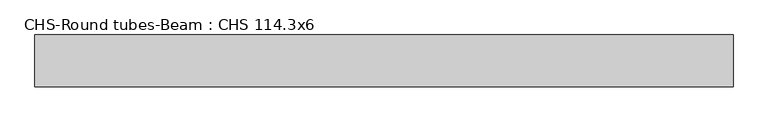
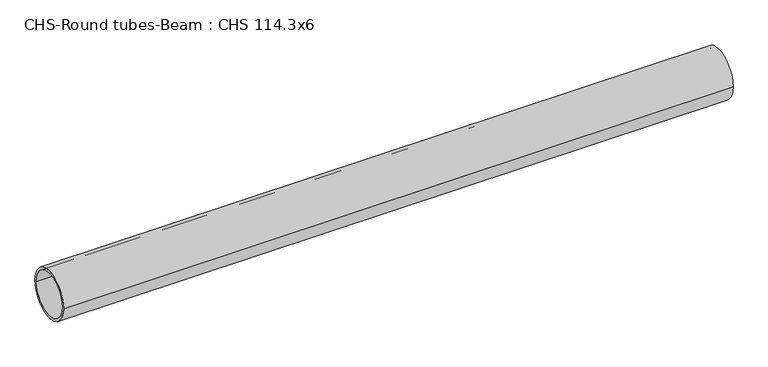
"""IFC4 building model written with IfcOpenShell, lengths in millimetres: beam geometry, CHS-Round tubes-Beam : CHS 114.3x6."""

from ifc_helpers import new_model, si_unit, point, frame, origin, origin_2d, place, context, project, spatial, circle_curve, trimmed, segment, composite_curve, outline, extrude, source, transform, mapped, element, save


def chs_round_tubes_beam_chs_114_3x6_476d0633(model_context):
    return source(origin(), model_context, "Body", "SweptSolid", [
        extrude(outline(composite_curve([segment(trimmed(circle_curve(origin_2d(), 57.15), [point((57.15, 0.0))], [point((-57.15, 0.0))], False, "CARTESIAN"), True, "CONTINUOUS"), segment(trimmed(circle_curve(origin_2d(), 57.15), [point((-57.15, 0.0))], [point((57.15, 0.0))], False, "CARTESIAN"), True, "CONTINUOUS")], self_intersect=False), holes=[composite_curve([segment(trimmed(circle_curve(origin_2d(), 51.15), [point((51.15, 0.0))], [point((-51.15, 0.0))], True, "CARTESIAN"), True, "CONTINUOUS"), segment(trimmed(circle_curve(origin_2d(), 51.15), [point((-51.15, 0.0))], [point((51.15, 0.0))], True, "CARTESIAN"), True, "CONTINUOUS")], self_intersect=False)]), frame((-763.0869146, 0.0, 0.0), z_axis=(1.0, 0.0, 0.0), x_axis=(0.0, 1.0, 0.0)), (0.0, 0.0, 1.0), 1542.8527617),
    ])


if __name__ == "__main__":
    model = new_model("IFC4")
    model_context = context("Model", 3, world=origin())
    ifc_project = project(units=[si_unit("LENGTHUNIT", "METRE", prefix="MILLI")], contexts=[model_context])
    site = spatial("IfcSite", under=ifc_project)
    building = spatial("IfcBuilding", under=site)
    placement = place(None, origin())
    chs_round_tubes_beam_chs_114_3x6_shape = chs_round_tubes_beam_chs_114_3x6_476d0633(model_context)
    element("IfcBeam", 1, ObjectType="CHS-Round tubes-Beam : CHS 114.3x6", at=placement, inside=building, context=model_context, shape_type="MappedRepresentation", body=[
        mapped(chs_round_tubes_beam_chs_114_3x6_shape, transform((0.0, 0.0, 0.0), x_axis=(1.0, 0.0, 0.0), y_axis=(0.0, 1.0, 0.0), z_axis=(0.0, 0.0, 1.0))),
    ])
    save(model, "model.ifc")
